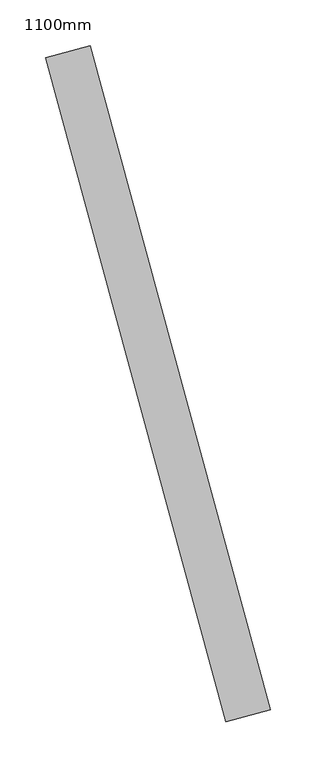
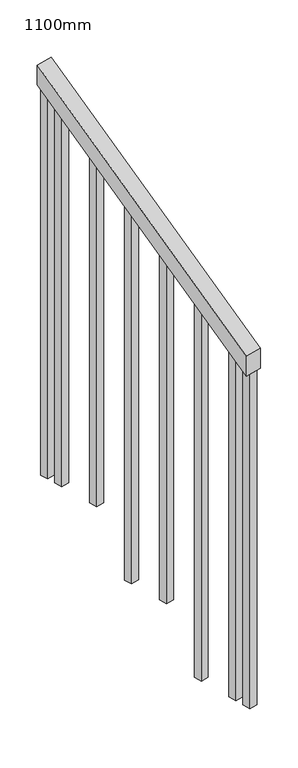
"""IFC4 building model written with IfcOpenShell, lengths in millimetres: railing geometry, 1100mm."""

from ifc_helpers import new_model, si_unit, frame, origin, place, context, project, spatial, polyline, outline, extrude, source, transform, mapped, element, save


def railing_1100mm_8ee2548b(model_context):
    return source(origin(), model_context, "Body", "SweptSolid", [
        extrude(outline(polyline([(-35.5555555, -50.0), (0.0, 0.0), (920.2958461, 0.0), (884.7402905, -50.0), (-35.5555555, -50.0)])), frame((167654.631354, 74873.9552956, 1277.7777778), z_axis=(0.9649894123601852, 0.2622888370341833, 0.0), x_axis=(-0.21375368431595734, 0.7864232597554186, 0.5795237863599868)), (0.0, 0.0, 1.0), 50.0),
        extrude(outline(polyline([(108.8888889, 0.0), (91.1111112, 25.0), (1271.980277, 25.0), (1271.980277, 0.0), (108.8888889, 0.0)])), frame((167489.6487566, 75528.6017594, 1805.3136103), z_axis=(0.9649894123601821, 0.2622888370341949, 0.0), x_axis=(0.0, 0.0, -1.0)), (0.0, 0.0, 1.0), 25.0),
        extrude(outline(polyline([(108.8888889, 0.0), (91.1111111, 25.0), (1183.0913881, 25.0), (1183.0913881, 0.0), (108.8888889, 0.0)])), frame((167522.4348613, 75407.9780828, 1716.4247214), z_axis=(0.9649894123601821, 0.2622888370341949, 0.0), x_axis=(0.0, 0.0, -1.0)), (0.0, 0.0, 1.0), 25.0),
        extrude(outline(polyline([(108.8888889, 0.0), (91.1111111, 25.0), (1271.9802769, 25.0), (1271.9802769, 0.0), (108.8888889, 0.0)])), frame((167555.2209659, 75287.3544063, 1627.5358325), z_axis=(0.9649894123601821, 0.2622888370341949, 0.0), x_axis=(0.0, 0.0, -1.0)), (0.0, 0.0, 1.0), 25.0),
        extrude(outline(polyline([(108.8888889, 0.0), (91.1111111, 25.0), (1183.091388, 25.0), (1183.091388, 0.0), (108.8888889, 0.0)])), frame((167588.0070705, 75166.7307297, 1538.6469436), z_axis=(0.9649894123601821, 0.2622888370341949, 0.0), x_axis=(0.0, 0.0, -1.0)), (0.0, 0.0, 1.0), 25.0),
        extrude(outline(polyline([(108.8888889, 0.0), (91.1111111, 25.0), (1271.9802769, 25.0), (1271.9802769, 0.0), (108.8888889, 0.0)])), frame((167620.7931752, 75046.1070532, 1449.7580547), z_axis=(0.9649894123601821, 0.2622888370341949, 0.0), x_axis=(0.0, 0.0, -1.0)), (0.0, 0.0, 1.0), 25.0),
        extrude(outline(polyline([(108.8888889, 0.0), (91.1111111, 25.0000001), (1183.091388, 25.0000001), (1183.091388, 0.0), (108.8888889, 0.0)])), frame((167653.5792798, 74925.4833766, 1360.8691658), z_axis=(0.9649894123601821, 0.2622888370341949, 0.0), x_axis=(0.0, 0.0, -1.0)), (0.0, 0.0, 1.0), 25.0),
        extrude(outline(polyline([(108.8888889, 0.0), (91.1111111, 25.0), (1307.5358325, 25.0), (1307.5358325, 0.0), (108.8888889, 0.0)])), frame((167476.5343148, 75576.85123, 1840.8691658), z_axis=(0.9649894123601821, 0.2622888370341949, 0.0), x_axis=(0.0, 0.0, -1.0)), (0.0, 0.0, 1.0), 25.0),
        extrude(outline(polyline([(108.8888889, 0.0), (91.1111112, 25.0), (1147.5358325, 25.0), (1147.5358325, 0.0), (108.8888889, 0.0)])), frame((167666.6937216, 74877.233906, 1325.3136103), z_axis=(0.9649894123601821, 0.2622888370341949, 0.0), x_axis=(0.0, 0.0, -1.0)), (0.0, 0.0, 1.0), 25.0),
    ])


if __name__ == "__main__":
    model = new_model("IFC4")
    model_context = context("Model", 3, world=origin())
    ifc_project = project(units=[si_unit("LENGTHUNIT", "METRE", prefix="MILLI")], contexts=[model_context])
    site = spatial("IfcSite", under=ifc_project)
    building = spatial("IfcBuilding", under=site)
    placement = place(None, origin())
    railing_1100mm_shape = railing_1100mm_8ee2548b(model_context)
    element("IfcRailing", 1, ObjectType="1100mm", at=placement, inside=building, context=model_context, shape_type="MappedRepresentation", body=[
        mapped(railing_1100mm_shape, transform((0.0, 0.0, 0.0), x_axis=(1.0, 0.0, 0.0), y_axis=(0.0, 1.0, 0.0), z_axis=(0.0, 0.0, 1.0))),
    ])
    save(model, "model.ifc")
